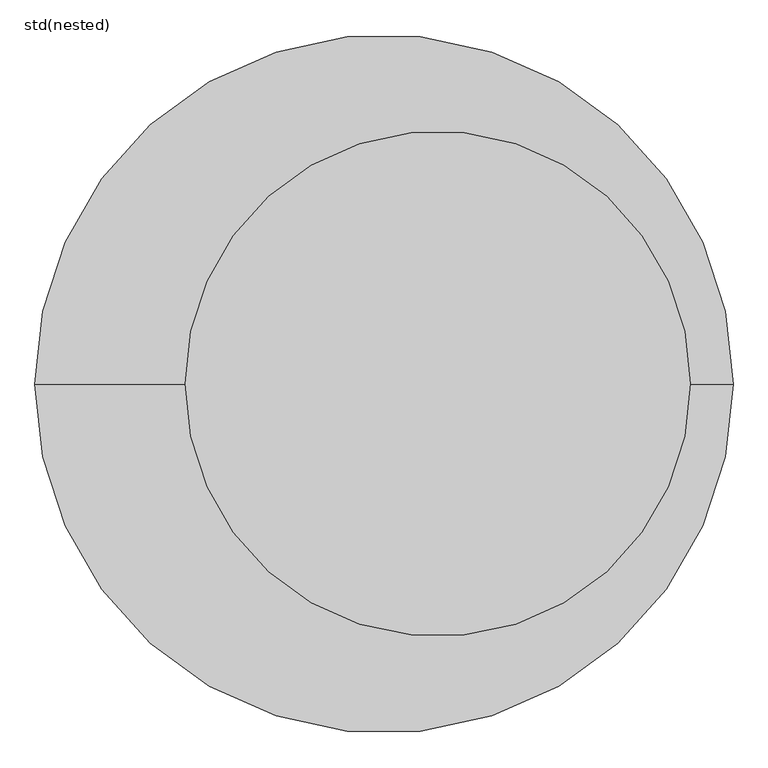
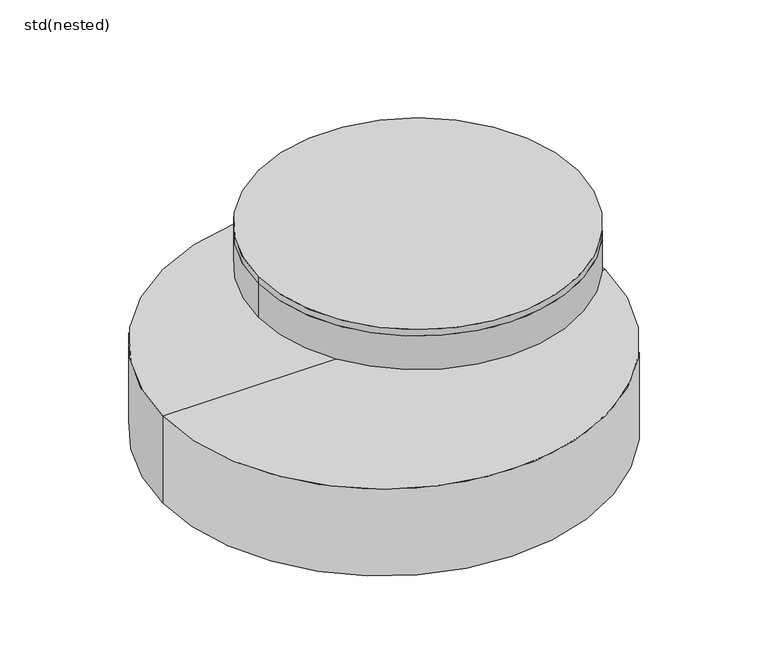
"""IFC4 building model written with IfcOpenShell, lengths in millimetres: unitary equipment geometry, std(nested)."""

from ifc_helpers import new_model, si_unit, point, frame, frame_2d, origin, place, context, project, spatial, polyline, circle_curve, trimmed, segment, composite_curve, outline, extrude, source, transform, mapped, element, save
from ifc_brep_helpers import plane_surface, cylinder_surface, revolved_surface, advanced_brep


def std_nested_d1bcfbf0(model_context):
    return source(origin(), model_context, "Body", "SolidModel", [
        extrude(outline(composite_curve([segment(trimmed(circle_curve(frame_2d((100.0, 0.0)), 470.0), [point((-370.0, 0.0))], [point((570.0, 0.0))], False, "CARTESIAN"), True, "CONTINUOUS"), segment(trimmed(circle_curve(frame_2d((100.0, 0.0)), 470.0), [point((570.0, 0.0))], [point((-370.0, 0.0))], False, "CARTESIAN"), True, "CONTINUOUS")], self_intersect=False)), frame((0.0, 0.0, -20.0), z_axis=(0.0, 0.0, 1.0), x_axis=(1.0, 0.0, 0.0)), (0.0, 0.0, 1.0), 20.0),
        extrude(outline(composite_curve([segment(trimmed(circle_curve(frame_2d((100.0, 0.0)), 470.0), [point((-370.0, 0.0))], [point((570.0, 0.0))], False, "CARTESIAN"), True, "CONTINUOUS"), segment(trimmed(circle_curve(frame_2d((100.0, 0.0)), 470.0), [point((570.0, 0.0))], [point((-370.0, 0.0))], False, "CARTESIAN"), True, "CONTINUOUS")], self_intersect=False)), frame((0.0, 0.0, -125.0), z_axis=(0.0, 0.0, 1.0), x_axis=(1.0, 0.0, 0.0)), (0.0, 0.0, 1.0), 105.0),
        advanced_brep(
        [(650.0, 0.0, -335.0), (-650.0, 0.0, -335.0), (0.0, 0.0, -335.0), (650.0, 0.0, -605.0), (-650.0, 0.0, -605.0), (590.0, 0.0, -605.0), (-590.0, 0.0, -605.0), (590.0, 0.0, -525.0), (-590.0, 0.0, -525.0), (0.0, 0.0, -525.0)],
        [
            (0, 1, circle_curve(frame((0.0, 0.0, -335.0), z_axis=(0.0, 0.0, 1.0), x_axis=(-1.0, 0.0, 0.0)), 650.0)),
            (1, 2),
            (2, 0),
            (1, 0, circle_curve(frame((0.0, 0.0, -335.0), z_axis=(0.0, 0.0, 1.0), x_axis=(-1.0, 0.0, 0.0)), 650.0)),
            (3, 4, circle_curve(frame((0.0, 0.0, -605.0), z_axis=(0.0, 0.0, 1.0), x_axis=(-1.0, 0.0, 0.0)), 650.0)),
            (4, 1),
            (0, 3),
            (4, 3, circle_curve(frame((0.0, 0.0, -605.0), z_axis=(0.0, 0.0, 1.0), x_axis=(-1.0, 0.0, 0.0)), 650.0)),
            (5, 6, circle_curve(frame((0.0, 0.0, -605.0), z_axis=(0.0, 0.0, 1.0), x_axis=(-1.0, 0.0, 0.0)), 590.0)),
            (6, 4),
            (3, 5),
            (6, 5, circle_curve(frame((0.0, 0.0, -605.0), z_axis=(0.0, 0.0, 1.0), x_axis=(-1.0, 0.0, 0.0)), 590.0)),
            (7, 8, circle_curve(frame((0.0, 0.0, -525.0), z_axis=(0.0, 0.0, 1.0), x_axis=(-1.0, 0.0, 0.0)), 590.0)),
            (8, 6),
            (5, 7),
            (8, 7, circle_curve(frame((0.0, 0.0, -525.0), z_axis=(0.0, 0.0, 1.0), x_axis=(-1.0, 0.0, 0.0)), 590.0)),
            (9, 8),
            (7, 9),
        ],
        [
            plane_surface(frame((0.0, 0.0, -335.0), z_axis=(0.0, 0.0, 1.0), x_axis=(-1.0, 0.0, 0.0))),
            cylinder_surface(frame((0.0, 0.0, -320.0), z_axis=(0.0, 0.0, -1.0), x_axis=(-1.0, 0.0, 0.0)), 650.0),
            plane_surface(frame((0.0, 0.0, -605.0), z_axis=(0.0, 0.0, -1.0), x_axis=(-1.0, 0.0, 0.0))),
            revolved_surface(polyline([(-590.0, 0.0, -605.0), (-590.0, 0.0, -525.0)]), (0.0, 0.0, -320.0), (0.0, 0.0, -1.0)),
            plane_surface(frame((0.0, 0.0, -525.0), z_axis=(0.0, 0.0, -1.0), x_axis=(-1.0, 0.0, 0.0))),
        ],
        [
            (0, [[1, 2, 3]]),
            (0, [[4, -3, -2]]),
            (1, [[5, 6, -1, 7]]),
            (1, [[8, -7, -4, -6]]),
            (2, [[9, 10, -5, 11]]),
            (2, [[12, -11, -8, -10]]),
            (3, [[13, 14, -9, 15]]),
            (3, [[16, -15, -12, -14]]),
            (4, [[17, -13, 18]]),
            (4, [[-18, -16, -17]]),
        ],
    ),
    ])


if __name__ == "__main__":
    model = new_model("IFC4")
    model_context = context("Model", 3, world=origin())
    ifc_project = project(units=[si_unit("LENGTHUNIT", "METRE", prefix="MILLI")], contexts=[model_context])
    site = spatial("IfcSite", under=ifc_project)
    building = spatial("IfcBuilding", under=site)
    placement = place(None, origin())
    std_nested_shape = std_nested_d1bcfbf0(model_context)
    element("IfcUnitaryEquipment", 1, ObjectType="std(nested)", at=placement, inside=building, context=model_context, shape_type="MappedRepresentation", body=[
        mapped(std_nested_shape, transform((0.0, 0.0, 0.0), x_axis=(1.0, 0.0, 0.0), y_axis=(0.0, 1.0, 0.0), z_axis=(0.0, 0.0, 1.0))),
    ])
    save(model, "model.ifc")
